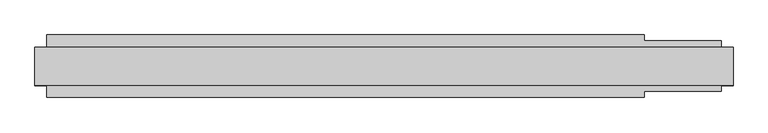
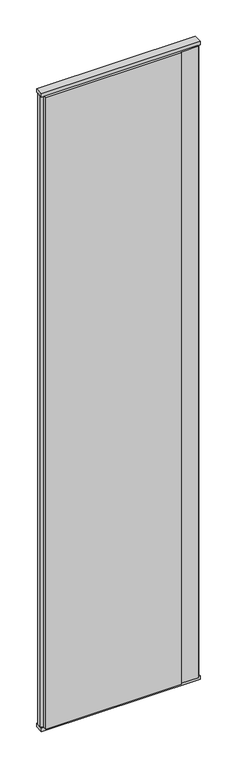
"""IFC4 building model written with IfcOpenShell, lengths in millimetres: plate geometry."""

from ifc_helpers import new_model, si_unit, frame, origin, origin_with_axes, place, context, project, spatial, polyline, outline, extrude, source, transform, mapped, element, save


def plate_2ad8beae(model_context):
    return source(origin(), model_context, "Body", "SweptSolid", [
        extrude(outline(polyline([(438.0, 52.5), (438.0, 42.5), (568.0, 42.5), (568.0, 22.9993165), (588.0, 17.6401049), (588.0, -17.6401049), (568.0, -22.9993165), (568.0, -42.5), (438.0, -42.5), (438.0, -52.5), (-568.0, -52.5), (-568.0, -22.9993165), (-588.0, -17.6401049), (-588.0, 17.6401049), (-568.0, 22.9993165), (-568.0, 52.5), (438.0, 52.5)])), frame((0.0, 0.0, 25.0), z_axis=(0.0, 0.0, 1.0), x_axis=(1.0, 0.0, 0.0)), (0.0, 0.0, 1.0), 4950.0),
        extrude(outline(polyline([(588.0, 32.0), (588.0, -32.0), (-588.0, -32.0), (-588.0, 32.0), (588.0, 32.0)])), origin_with_axes(), (0.0, 0.0, 1.0), 25.0),
        extrude(outline(polyline([(588.0, 32.0), (588.0, -32.0), (-588.0, -32.0), (-588.0, 32.0), (588.0, 32.0)])), frame((0.0, 0.0, 4975.0), z_axis=(0.0, 0.0, 1.0), x_axis=(1.0, 0.0, 0.0)), (0.0, 0.0, 1.0), 25.0),
    ])


if __name__ == "__main__":
    model = new_model("IFC4")
    model_context = context("Model", 3, world=origin())
    ifc_project = project(units=[si_unit("LENGTHUNIT", "METRE", prefix="MILLI")], contexts=[model_context])
    site = spatial("IfcSite", under=ifc_project)
    building = spatial("IfcBuilding", under=site)
    placement = place(None, origin())
    plate_shape = plate_2ad8beae(model_context)
    element("IfcPlate", 1, at=placement, inside=building, context=model_context, shape_type="MappedRepresentation", body=[
        mapped(plate_shape, transform((0.0, 0.0, 0.0), x_axis=(1.0, 0.0, 0.0), y_axis=(0.0, 1.0, 0.0), z_axis=(0.0, 0.0, 1.0))),
    ])
    save(model, "model.ifc")
